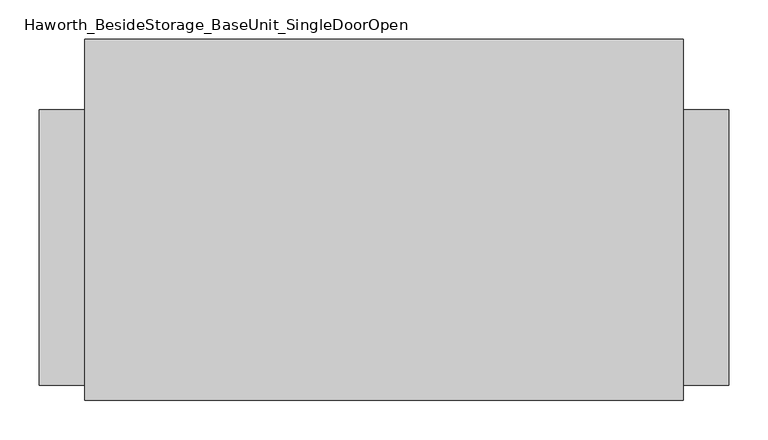
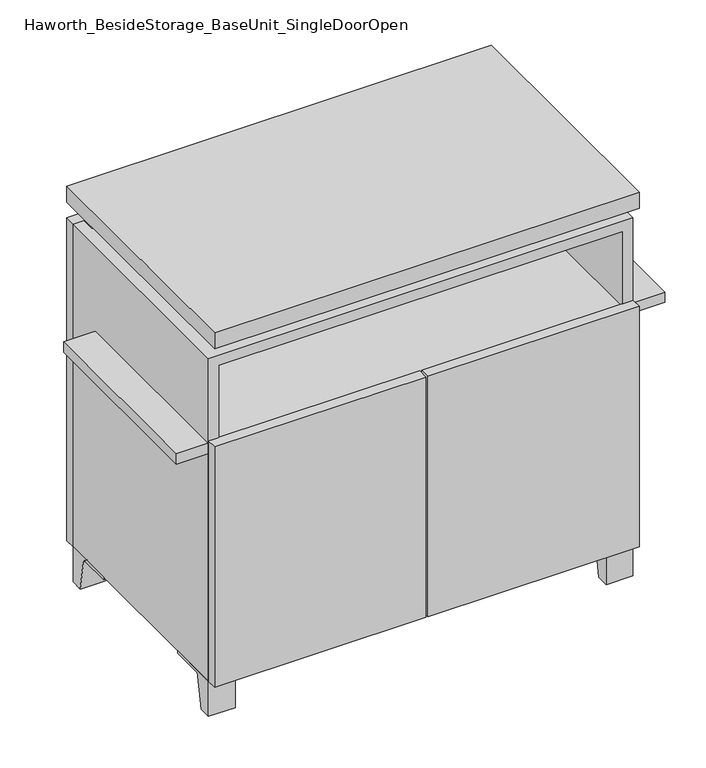
"""IFC4 building model written with IfcOpenShell, lengths in millimetres: furniture geometry, Haworth_BesideStorage_BaseUnit_SingleDoorOpen."""

from ifc_helpers import new_model, si_unit, point, frame, frame_2d, origin, place, context, project, spatial, polyline, circle_curve, trimmed, segment, composite_curve, outline, extrude, faceted_brep, source, transform, mapped, element, save


def haworth_besidestorage_baseunit_singledooropen_c0243f3c(model_context):
    return source(origin(), model_context, "Body", "SolidModel", [
        extrude(outline(composite_curve([segment(polyline([(-123.2958469, 0.0), (-146.05, 0.0), (-146.05, 66.675), (-50.8, 66.675), (-50.8, 61.8963321), (-107.6005345, 61.8963321)]), True, "CONTINUOUS"), segment(trimmed(circle_curve(frame_2d((-107.6005345, 55.5463321)), 6.35), [point((-107.6005345, 61.8963321))], [point((-113.8641359, 56.5902656))], True, "CARTESIAN"), True, "CONTINUOUS"), segment(polyline([(-113.8641359, 56.5902656), (-123.2958469, 0.0)]), True, "CONTINUOUS")], self_intersect=False)), frame((331.8013906, 0.0, 0.0), z_axis=(1.0, 0.0, 0.0), x_axis=(0.0, 1.0, 0.0)), (0.0, 0.0, 1.0), 47.625),
        extrude(outline(composite_curve([segment(polyline([(250.2958469, 0.0), (240.8641359, 56.5902656)]), True, "CONTINUOUS"), segment(trimmed(circle_curve(frame_2d((234.6005345, 55.5463321)), 6.35), [point((240.8641359, 56.5902656))], [point((234.6005345, 61.8963321))], True, "CARTESIAN"), True, "CONTINUOUS"), segment(polyline([(234.6005345, 61.8963321), (177.8, 61.8963321), (177.8, 66.675), (273.05, 66.675), (273.05, 0.0), (250.2958469, 0.0)]), True, "CONTINUOUS")], self_intersect=False)), frame((331.8013906, 0.0, 0.0), z_axis=(1.0, 0.0, 0.0), x_axis=(0.0, 1.0, 0.0)), (0.0, 0.0, 1.0), 47.625),
        extrude(outline(composite_curve([segment(polyline([(-123.2958469, 0.0), (-146.05, 0.0), (-146.05, 66.675), (-50.8, 66.675), (-50.8, 61.8963321), (-107.6005345, 61.8963321)]), True, "CONTINUOUS"), segment(trimmed(circle_curve(frame_2d((-107.6005345, 55.5463321)), 6.35), [point((-107.6005345, 61.8963321))], [point((-113.8641359, 56.5902656))], True, "CARTESIAN"), True, "CONTINUOUS"), segment(polyline([(-113.8641359, 56.5902656), (-123.2958469, 0.0)]), True, "CONTINUOUS")], self_intersect=False)), frame((-379.3986094, 0.0, 0.0), z_axis=(1.0, 0.0, 0.0), x_axis=(0.0, 1.0, 0.0)), (0.0, 0.0, 1.0), 47.625),
        extrude(outline(composite_curve([segment(polyline([(250.2958469, 0.0), (240.8641359, 56.5902656)]), True, "CONTINUOUS"), segment(trimmed(circle_curve(frame_2d((234.6005345, 55.5463321)), 6.35), [point((240.8641359, 56.5902656))], [point((234.6005345, 61.8963321))], True, "CARTESIAN"), True, "CONTINUOUS"), segment(polyline([(234.6005345, 61.8963321), (177.8, 61.8963321), (177.8, 66.675), (273.05, 66.675), (273.05, 0.0), (250.2958469, 0.0)]), True, "CONTINUOUS")], self_intersect=False)), frame((-379.3986094, 0.0, 0.0), z_axis=(1.0, 0.0, 0.0), x_axis=(0.0, 1.0, 0.0)), (0.0, 0.0, 1.0), 47.625),
        faceted_brep([(-379.3986094, -146.05, 66.675), (379.4125, -146.05, 66.675), (379.4125, -146.05, 676.275), (-379.3986094, -146.05, 676.275), (-360.3486094, -146.05, 85.725), (-360.3486094, -146.05, 657.225), (360.3694453, -146.05, 657.225), (360.3486094, -146.05, 85.725), (-379.3986094, 273.05, 66.675), (-379.3986094, 273.05, 676.275), (-360.3486094, 273.05, 676.275), (-360.3486094, 273.05, 85.725), (360.3486094, 273.05, 85.725), (360.3486094, 273.05, 676.275), (379.4125, 273.05, 676.275), (379.4125, 273.05, 66.675), (360.3486094, 247.65, 676.275), (-360.3416641, 247.65, 676.275), (-360.3486094, 247.65, 657.225), (360.3486094, 247.65, 657.225)], [[[0, 1, 2, 3], [4, 5, 6, 7]], [[8, 9, 10, 11, 12, 13, 14, 15]], [[1, 0, 8, 15]], [[2, 1, 15, 14]], [[3, 2, 14, 13, 16, 17, 10, 9]], [[0, 3, 9, 8]], [[11, 10, 17, 18, 5, 4]], [[13, 12, 7, 6, 19, 16]], [[4, 7, 12, 11]], [[6, 5, 18, 19]], [[17, 16, 19, 18]]]),
        extrude(outline(polyline([(379.4263906, -165.1), (-379.3986094, -165.1), (-379.3986094, 292.1), (379.4263906, 292.1), (379.4263906, -165.1)])), frame((0.0, 0.0, 706.4375), z_axis=(0.0, 0.0, 1.0), x_axis=(1.0, 0.0, 0.0)), (0.0, 0.0, 1.0), 30.1625),
        faceted_brep([(7.9513906, -69.85, 706.4375), (7.9513906, -69.85, 676.275), (7.9513906, 53.975, 676.275), (7.9513906, 53.975, 706.4375), (7.9513906, 196.85, 676.275), (7.9513906, 196.85, 706.4375), (7.9513906, 73.025, 706.4375), (7.9513906, 73.025, 676.275), (-7.9236094, 196.85, 706.4375), (-7.9236094, 196.85, 676.275), (-7.9236094, 73.025, 676.275), (-7.9236094, 73.025, 706.4375), (-7.9236094, -69.85, 676.275), (-7.9236094, -69.85, 706.4375), (-7.9236094, 53.975, 706.4375), (-7.9236094, 53.975, 676.275), (-338.0958281, 73.025, 706.4375), (-338.1166641, 247.65, 706.4375), (-353.9916641, 247.65, 706.4375), (-353.9916641, -120.65, 706.4375), (-338.1166641, -120.65, 706.4375), (-338.1166641, 53.975, 706.4375), (338.1236094, 53.975, 706.4375), (338.1236094, -120.65, 706.4375), (353.9986094, -120.65, 706.4375), (353.9986094, 247.65, 706.4375), (338.1236094, 247.65, 706.4375), (338.1236094, 73.025, 706.4375), (-338.0958281, 53.975, 676.275), (-338.1166641, -120.65, 676.275), (-353.9916641, -120.65, 676.275), (-353.9916641, 247.65, 676.275), (-338.1166641, 247.65, 676.275), (-338.1166641, 73.025, 676.275), (338.1236094, 73.025, 676.275), (338.1236094, 247.65, 676.275), (353.9986094, 247.65, 676.275), (353.9986094, -120.65, 676.275), (338.1236094, -120.65, 676.275), (338.1236094, 53.975, 676.275)], [[[0, 1, 2, 3]], [[4, 5, 6, 7]], [[8, 9, 10, 11]], [[12, 13, 14, 15]], [[5, 8, 11, 16, 17, 18, 19, 20, 21, 14, 13, 0, 3, 22, 23, 24, 25, 26, 27, 6]], [[1, 12, 15, 28, 29, 30, 31, 32, 33, 10, 9, 4, 7, 34, 35, 36, 37, 38, 39, 2]], [[5, 4, 9, 8]], [[1, 0, 13, 12]], [[6, 27, 34, 7]], [[22, 3, 2, 39]], [[20, 29, 28, 21]], [[32, 17, 16, 33]], [[18, 31, 30, 19]], [[29, 20, 19, 30]], [[17, 32, 31, 18]], [[26, 35, 34, 27]], [[38, 23, 22, 39]], [[25, 24, 37, 36]], [[23, 38, 37, 24]], [[35, 26, 25, 36]], [[16, 11, 10, 33]], [[14, 21, 28, 15]]]),
        extrude(outline(polyline([(379.4263906, 273.05), (-379.3986094, 273.05), (-379.3986094, 292.1), (379.4263906, 292.1), (379.4263906, 273.05)])), frame((0.0, 0.0, 66.675), z_axis=(0.0, 0.0, 1.0), x_axis=(1.0, 0.0, 0.0)), (0.0, 0.0, 1.0), 609.6),
        extrude(outline(polyline([(-360.3416641, 203.2), (-360.3416641, 209.55), (360.3694453, 209.55), (360.3694453, 203.2), (-360.3416641, 203.2)])), frame((0.0, 0.0, 85.725), z_axis=(0.0, 0.0, 1.0), x_axis=(1.0, 0.0, 0.0)), (0.0, 0.0, 1.0), 571.5),
        extrude(outline(polyline([(1.6013906, -165.1), (1.6013906, -146.05), (379.4263906, -146.05), (379.4263906, -165.1), (1.6013906, -165.1)])), frame((0.0, 0.0, 66.675), z_axis=(0.0, 0.0, 1.0), x_axis=(1.0, 0.0, 0.0)), (0.0, 0.0, 1.0), 454.025),
        extrude(outline(polyline([(-1.5736094, -165.1), (-379.3986094, -165.1), (-379.3986094, -146.05), (-1.5736094, -146.05), (-1.5736094, -165.1)])), frame((0.0, 0.0, 66.675), z_axis=(0.0, 0.0, 1.0), x_axis=(1.0, 0.0, 0.0)), (0.0, 0.0, 1.0), 454.025),
        extrude(outline(polyline([(436.5486094, 203.2), (436.5486094, -146.05), (-436.5486094, -146.05), (-436.5486094, 203.2), (436.5486094, 203.2)])), frame((0.0, 0.0, 496.8875), z_axis=(0.0, 0.0, 1.0), x_axis=(1.0, 0.0, 0.0)), (0.0, 0.0, 1.0), 19.05),
    ])


if __name__ == "__main__":
    model = new_model("IFC4")
    model_context = context("Model", 3, world=origin())
    ifc_project = project(units=[si_unit("LENGTHUNIT", "METRE", prefix="MILLI")], contexts=[model_context])
    site = spatial("IfcSite", under=ifc_project)
    building = spatial("IfcBuilding", under=site)
    placement = place(None, origin())
    haworth_besidestorage_baseunit_singledooropen_shape = haworth_besidestorage_baseunit_singledooropen_c0243f3c(model_context)
    element("IfcFurniture", 1, ObjectType="Haworth_BesideStorage_BaseUnit_SingleDoorOpen", at=placement, inside=building, context=model_context, shape_type="MappedRepresentation", body=[
        mapped(haworth_besidestorage_baseunit_singledooropen_shape, transform((0.0, 0.0, 0.0), x_axis=(1.0, 0.0, 0.0), y_axis=(0.0, 1.0, 0.0), z_axis=(0.0, 0.0, 1.0))),
    ])
    save(model, "model.ifc")
